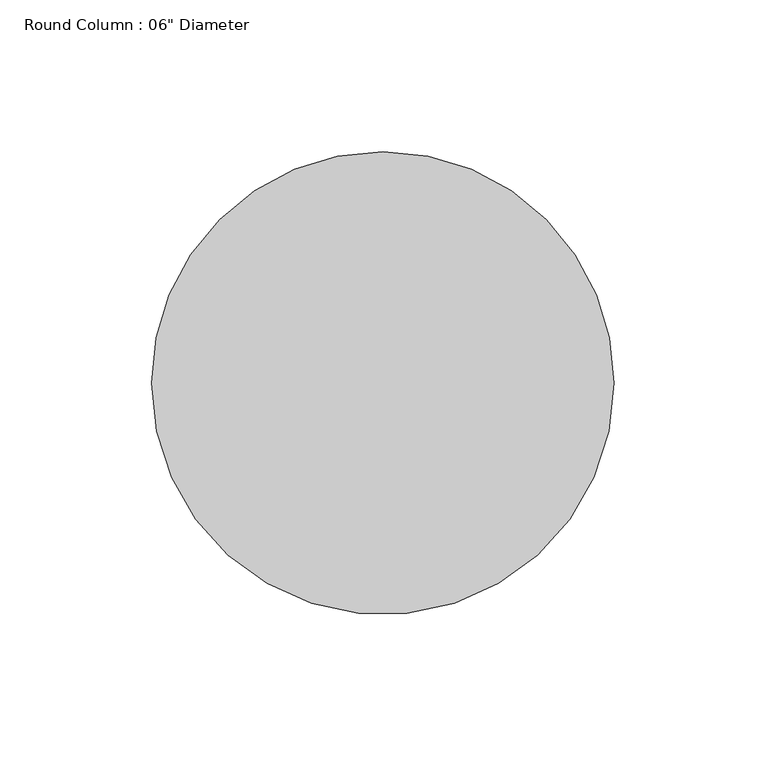
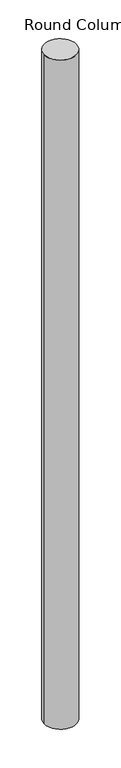
"""IFC4 building model written with IfcOpenShell, lengths in millimetres: column geometry."""

from ifc_helpers import new_model, si_unit, point, origin, origin_with_axes, origin_2d, place, context, project, spatial, circle_curve, trimmed, segment, composite_curve, outline, extrude, source, transform, mapped, element, save


def column_aaeafa71(model_context):
    return source(origin(), model_context, "Body", "SweptSolid", [
        extrude(outline(composite_curve([segment(trimmed(circle_curve(origin_2d(), 76.2), [point((76.2, 0.0))], [point((-76.2, 0.0))], False, "CARTESIAN"), True, "CONTINUOUS"), segment(trimmed(circle_curve(origin_2d(), 76.2), [point((-76.2, 0.0))], [point((0.0, 76.2))], False, "CARTESIAN"), True, "CONTINUOUS"), segment(trimmed(circle_curve(origin_2d(), 76.2), [point((0.0, 76.2))], [point((76.2, 0.0))], False, "CARTESIAN"), True, "CONTINUOUS")], self_intersect=False)), origin_with_axes(), (0.0, 0.0, 1.0), 3352.8),
    ])


if __name__ == "__main__":
    model = new_model("IFC4")
    model_context = context("Model", 3, world=origin())
    ifc_project = project(units=[si_unit("LENGTHUNIT", "METRE", prefix="MILLI")], contexts=[model_context])
    site = spatial("IfcSite", under=ifc_project)
    building = spatial("IfcBuilding", under=site)
    placement = place(None, origin())
    column_shape = column_aaeafa71(model_context)
    element("IfcColumn", 1, ObjectType="Round Column : 06\" Diameter", at=placement, inside=building, context=model_context, shape_type="MappedRepresentation", body=[
        mapped(column_shape, transform((0.0, 0.0, 0.0), x_axis=(1.0, 0.0, 0.0), y_axis=(0.0, 1.0, 0.0), z_axis=(0.0, 0.0, 1.0))),
    ])
    save(model, "model.ifc")
